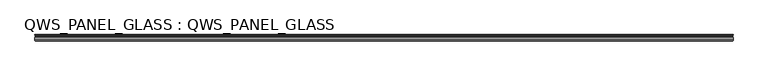
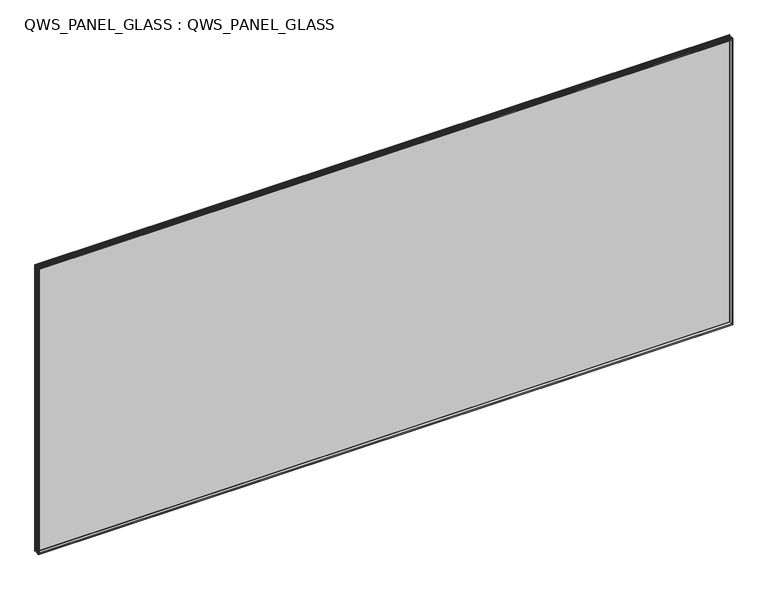
"""IFC4 building model written with IfcOpenShell, lengths in millimetres: plate geometry, QWS_PANEL_GLASS : QWS_PANEL_GLASS."""

from ifc_helpers import new_model, si_unit, frame, origin, place, context, project, spatial, polyline, outline, extrude, faceted_brep, source, transform, mapped, element, save


def qws_panel_glass_qws_panel_glass_b4d384f1(model_context):
    return source(origin(), model_context, "Body", "SolidModel", [
        extrude(outline(polyline([(-4450.8885299, 33.4392996), (-4450.1480375, 34.179792), (4450.1480375, 34.179792), (4450.8885299, 33.4392996), (4450.8885299, 28.9297919), (4450.1385299, 28.1797919), (-4450.1385299, 28.1797919), (-4450.8885299, 28.9297919), (-4450.8885299, 33.4392996)])), frame((0.0, 0.0, 6.3500063), z_axis=(0.0, 0.0, 1.0), x_axis=(1.0, 0.0, 0.0)), (0.0, 0.0, 1.0), 3869.8250892),
        extrude(outline(polyline([(-4450.8885299, 10.8642995), (-4450.1480375, 11.6047918), (4450.1480375, 11.6047918), (4450.8885299, 10.8642995), (4450.8885299, 6.3547918), (4450.1385299, 5.6047918), (-4450.1385299, 5.6047918), (-4450.8885299, 6.3547918), (-4450.8885299, 10.8642995)])), frame((0.0, 0.0, 6.3500063), z_axis=(0.0, 0.0, 1.0), x_axis=(1.0, 0.0, 0.0)), (0.0, 0.0, 1.0), 3869.8250892),
        faceted_brep([(-4450.1385299, 11.6047919, 7.1000063), (-4450.1385299, 28.179792, 7.1000063), (4450.1385299, 28.179792, 7.1000063), (4450.1385299, 11.6047919, 7.1000063), (-4441.1385298, 28.179792, 16.1000064), (-4441.1385298, 11.6047919, 16.1000064), (4441.1385298, 11.6047919, 16.1000064), (4441.1385298, 28.179792, 16.1000064), (4450.1385299, 28.179792, 3875.4250955), (4450.1385299, 11.6047919, 3875.4250955), (4441.1385298, 11.6047919, 3866.4250954), (4441.1385298, 28.179792, 3866.4250954), (-4450.1385299, 28.179792, 3875.4250955), (-4450.1385299, 11.6047919, 3875.4250955), (-4441.1385298, 11.6047919, 3866.4250954), (-4441.1385298, 28.179792, 3866.4250954)], [[[0, 1, 2, 3]], [[4, 5, 6, 7]], [[3, 2, 8, 9]], [[7, 6, 10, 11]], [[9, 8, 12, 13]], [[11, 10, 14, 15]], [[1, 12, 8, 2], [7, 11, 15, 4]], [[13, 12, 1, 0]], [[15, 14, 5, 4]], [[3, 9, 13, 0], [5, 14, 10, 6]]]),
        faceted_brep([(-4447.7887549, 34.179792, 9.4497813), (-4447.7887549, 37.4051031, 9.4497813), (4447.7887549, 37.4051031, 9.4497813), (4447.7887549, 34.179792, 9.4497813), (-4439.7887711, 37.4051031, 17.4497651), (-4439.7887711, 34.179792, 17.4497651), (4439.7887711, 34.179792, 17.4497651), (4439.7887711, 37.4051031, 17.4497651), (4447.7887549, 37.4051031, 3873.0753205), (4447.7887549, 34.179792, 3873.0753205), (4439.7887711, 34.179792, 3865.0753367), (4439.7887711, 37.4051031, 3865.0753367), (-4447.7887549, 37.4051031, 3873.0753205), (-4447.7887549, 34.179792, 3873.0753205), (-4439.7887711, 34.179792, 3865.0753367), (-4439.7887711, 37.4051031, 3865.0753367)], [[[0, 1, 2, 3]], [[4, 5, 6, 7]], [[3, 2, 8, 9]], [[7, 6, 10, 11]], [[9, 8, 12, 13]], [[11, 10, 14, 15]], [[1, 12, 8, 2], [7, 11, 15, 4]], [[13, 12, 1, 0]], [[3, 9, 13, 0], [5, 14, 10, 6]], [[15, 14, 5, 4]]]),
        faceted_brep([(-4439.8770191, 5.604792, 17.3615171), (-4439.8770191, 2.6397305, 17.3615171), (4439.8770191, 2.6397305, 17.3615171), (4439.8770191, 5.604792, 17.3615171), (-4457.2385362, -12.1420405, 0.0), (-4457.2385362, 5.604792, 0.0), (4457.2385362, 5.604792, 0.0), (4457.2385362, -12.1420405, 0.0), (-4455.9807885, 2.6397305, 1.2577476), (-4455.9807885, -12.1420405, 1.2577476), (4455.9807885, -12.1420405, 1.2577476), (4455.9807885, 2.6397305, 1.2577476), (4439.8770191, 2.6397305, 3865.1635847), (4439.8770191, 5.604792, 3865.1635847), (4457.2385362, 5.604792, 3882.5251018), (4457.2385362, -12.1420405, 3882.5251018), (4455.9807885, -12.1420405, 3881.2673541), (4455.9807885, 2.6397305, 3881.2673541), (-4439.8770191, 2.6397305, 3865.1635847), (-4439.8770191, 5.604792, 3865.1635847), (-4457.2385362, 5.604792, 3882.5251018), (-4457.2385362, -12.1420405, 3882.5251018), (-4455.9807885, -12.1420405, 3881.2673541), (-4455.9807885, 2.6397305, 3881.2673541)], [[[0, 1, 2, 3]], [[4, 5, 6, 7]], [[8, 9, 10, 11]], [[3, 2, 12, 13]], [[7, 6, 14, 15]], [[11, 10, 16, 17]], [[13, 12, 18, 19]], [[15, 14, 20, 21]], [[17, 16, 22, 23]], [[11, 17, 23, 8], [1, 18, 12, 2]], [[19, 18, 1, 0]], [[5, 20, 14, 6], [3, 13, 19, 0]], [[21, 20, 5, 4]], [[7, 15, 21, 4], [9, 22, 16, 10]], [[23, 22, 9, 8]]]),
        faceted_brep([(-4439.877019, 2.6397303, 17.3615172), (-4439.877019, -39.4200311, 17.3615172), (4439.877019, -39.4200311, 17.3615172), (4439.877019, 2.6397303, 17.3615172), (-4448.5403491, -1.7407893, 8.6981871), (-4448.5403491, 2.6397303, 8.6981871), (4448.5403491, 2.6397303, 8.6981871), (4448.5403491, -1.7407893, 8.6981871), (-4441.1470187, -18.6882645, 16.0915175), (-4441.1470187, -1.7407893, 16.0915175), (4441.1470187, -1.7407893, 16.0915175), (4441.1470187, -18.6882645, 16.0915175), (-4457.2385362, -36.2451682, 0.0), (-4457.2385362, -18.6882645, 0.0), (4457.2385362, -18.6882645, 0.0), (4457.2385362, -36.2451682, 0.0), (-4455.2750504, -39.4200311, 1.9634857), (-4455.2750504, -36.2451682, 1.9634857), (4455.2750504, -36.2451682, 1.9634857), (4455.2750504, -39.4200311, 1.9634857), (4439.877019, -39.4200311, 3865.1635845), (4439.877019, 2.6397303, 3865.1635845), (4448.5403491, 2.6397303, 3873.8269147), (4448.5403491, -1.7407893, 3873.8269147), (4441.1470187, -1.7407893, 3866.4335842), (4441.1470187, -18.6882645, 3866.4335842), (4457.2385362, -18.6882645, 3882.5251018), (4457.2385362, -36.2451682, 3882.5251018), (4455.2750504, -36.2451682, 3880.561616), (4455.2750504, -39.4200311, 3880.561616), (-4439.877019, -39.4200311, 3865.1635845), (-4439.877019, 2.6397303, 3865.1635845), (-4448.5403491, 2.6397303, 3873.8269147), (-4448.5403491, -1.7407893, 3873.8269147), (-4441.1470187, -1.7407893, 3866.4335842), (-4441.1470187, -18.6882645, 3866.4335842), (-4457.2385362, -18.6882645, 3882.5251018), (-4457.2385362, -36.2451682, 3882.5251018), (-4455.2750504, -36.2451682, 3880.561616), (-4455.2750504, -39.4200311, 3880.561616)], [[[0, 1, 2, 3]], [[4, 5, 6, 7]], [[8, 9, 10, 11]], [[12, 13, 14, 15]], [[16, 17, 18, 19]], [[3, 2, 20, 21]], [[7, 6, 22, 23]], [[11, 10, 24, 25]], [[15, 14, 26, 27]], [[19, 18, 28, 29]], [[21, 20, 30, 31]], [[23, 22, 32, 33]], [[25, 24, 34, 35]], [[27, 26, 36, 37]], [[29, 28, 38, 39]], [[31, 30, 1, 0]], [[5, 32, 22, 6], [3, 21, 31, 0]], [[33, 32, 5, 4]], [[7, 23, 33, 4], [9, 34, 24, 10]], [[35, 34, 9, 8]], [[13, 36, 26, 14], [11, 25, 35, 8]], [[37, 36, 13, 12]], [[15, 27, 37, 12], [17, 38, 28, 18]], [[39, 38, 17, 16]], [[19, 29, 39, 16], [1, 30, 20, 2]]]),
        faceted_brep([(-4447.7887549, 37.405103, 9.4497813), (-4447.7887549, 40.008095, 9.4497813), (4447.7887549, 40.008095, 9.4497813), (4447.7887549, 37.405103, 9.4497813), (-4439.788771, 41.405095, 17.4497652), (-4439.788771, 37.405103, 17.4497652), (4439.788771, 37.405103, 17.4497652), (4439.788771, 41.405095, 17.4497652), (-4457.2385362, 40.008095, 0.0), (-4457.2385362, 41.405095, 0.0), (4457.2385362, 41.405095, 0.0), (4457.2385362, 40.008095, 0.0), (4447.7887549, 40.008095, 3873.0753205), (4447.7887549, 37.405103, 3873.0753205), (4439.788771, 37.405103, 3865.0753365), (4439.788771, 41.405095, 3865.0753365), (4457.2385362, 41.405095, 3882.5251018), (4457.2385362, 40.008095, 3882.5251018), (-4447.7887549, 40.008095, 3873.0753205), (-4447.7887549, 37.405103, 3873.0753205), (-4439.788771, 37.405103, 3865.0753365), (-4439.788771, 41.405095, 3865.0753365), (-4457.2385362, 41.405095, 3882.5251018), (-4457.2385362, 40.008095, 3882.5251018)], [[[0, 1, 2, 3]], [[4, 5, 6, 7]], [[8, 9, 10, 11]], [[3, 2, 12, 13]], [[7, 6, 14, 15]], [[11, 10, 16, 17]], [[13, 12, 18, 19]], [[15, 14, 20, 21]], [[17, 16, 22, 23]], [[19, 18, 1, 0]], [[3, 13, 19, 0], [5, 20, 14, 6]], [[21, 20, 5, 4]], [[9, 22, 16, 10], [7, 15, 21, 4]], [[23, 22, 9, 8]], [[11, 17, 23, 8], [1, 18, 12, 2]]]),
    ])


if __name__ == "__main__":
    model = new_model("IFC4")
    model_context = context("Model", 3, world=origin())
    ifc_project = project(units=[si_unit("LENGTHUNIT", "METRE", prefix="MILLI")], contexts=[model_context])
    site = spatial("IfcSite", under=ifc_project)
    building = spatial("IfcBuilding", under=site)
    placement = place(None, origin())
    qws_panel_glass_qws_panel_glass_shape = qws_panel_glass_qws_panel_glass_b4d384f1(model_context)
    element("IfcPlate", 1, ObjectType="QWS_PANEL_GLASS : QWS_PANEL_GLASS", at=placement, inside=building, context=model_context, shape_type="MappedRepresentation", body=[
        mapped(qws_panel_glass_qws_panel_glass_shape, transform((0.0, 0.0, 0.0), x_axis=(1.0, 0.0, 0.0), y_axis=(0.0, 1.0, 0.0), z_axis=(0.0, 0.0, 1.0))),
    ])
    save(model, "model.ifc")
